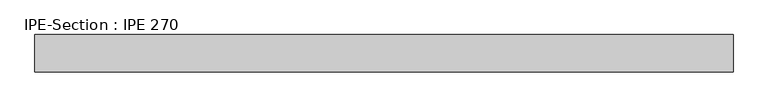
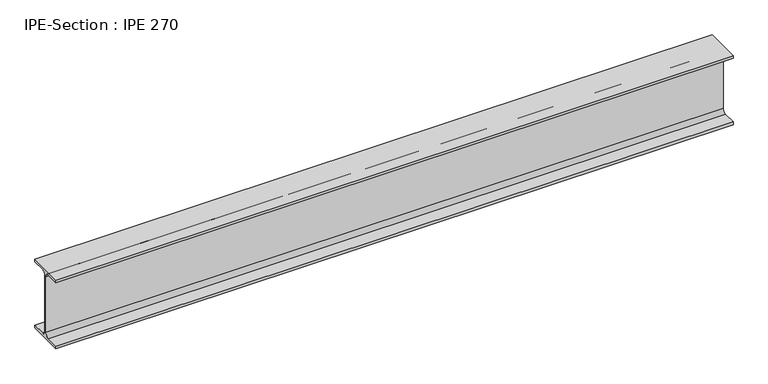
"""IFC4 building model written with IfcOpenShell, lengths in millimetres: beam geometry, IPE-Section : IPE 270."""

from ifc_helpers import new_model, si_unit, point, frame, frame_2d, origin, place, context, project, spatial, polyline, circle_curve, trimmed, segment, composite_curve, outline, extrude, source, transform, mapped, element, save


def ipe_section_ipe_270_10767b83(model_context):
    return source(origin(), model_context, "Body", "SweptSolid", [
        extrude(outline(composite_curve([segment(polyline([(67.5, -124.8), (67.5, -135.0), (-67.5, -135.0), (-67.5, -124.8), (-18.3, -124.8)]), True, "CONTINUOUS"), segment(trimmed(circle_curve(frame_2d((-18.3, -109.8)), 15.0), [point((-18.3, -124.8))], [point((-3.3, -109.8))], True, "CARTESIAN"), True, "CONTINUOUS"), segment(polyline([(-3.3, -109.8), (-3.3, 109.8)]), True, "CONTINUOUS"), segment(trimmed(circle_curve(frame_2d((-18.3, 109.8)), 15.0), [point((-3.3, 109.8))], [point((-18.3, 124.8))], True, "CARTESIAN"), True, "CONTINUOUS"), segment(polyline([(-18.3, 124.8), (-67.5, 124.8), (-67.5, 135.0), (67.5, 135.0), (67.5, 124.8), (18.3, 124.8)]), True, "CONTINUOUS"), segment(trimmed(circle_curve(frame_2d((18.3, 109.8)), 15.0), [point((18.3, 124.8))], [point((3.3, 109.8))], True, "CARTESIAN"), True, "CONTINUOUS"), segment(polyline([(3.3, 109.8), (3.3, -109.8)]), True, "CONTINUOUS"), segment(trimmed(circle_curve(frame_2d((18.3, -109.8)), 15.0), [point((3.3, -109.8))], [point((18.3, -124.8))], True, "CARTESIAN"), True, "CONTINUOUS"), segment(polyline([(18.3, -124.8), (67.5, -124.8)]), True, "CONTINUOUS")], self_intersect=False)), frame((-1261.0862368, 0.0, 0.0), z_axis=(1.0, 0.0, 0.0), x_axis=(0.0, 1.0, 0.0)), (0.0, 0.0, 1.0), 2514.6355378),
    ])


if __name__ == "__main__":
    model = new_model("IFC4")
    model_context = context("Model", 3, world=origin())
    ifc_project = project(units=[si_unit("LENGTHUNIT", "METRE", prefix="MILLI")], contexts=[model_context])
    site = spatial("IfcSite", under=ifc_project)
    building = spatial("IfcBuilding", under=site)
    placement = place(None, origin())
    ipe_section_ipe_270_shape = ipe_section_ipe_270_10767b83(model_context)
    element("IfcBeam", 1, ObjectType="IPE-Section : IPE 270", at=placement, inside=building, context=model_context, shape_type="MappedRepresentation", body=[
        mapped(ipe_section_ipe_270_shape, transform((0.0, 0.0, 0.0), x_axis=(1.0, 0.0, 0.0), y_axis=(0.0, 1.0, 0.0), z_axis=(0.0, 0.0, 1.0))),
    ])
    save(model, "model.ifc")
